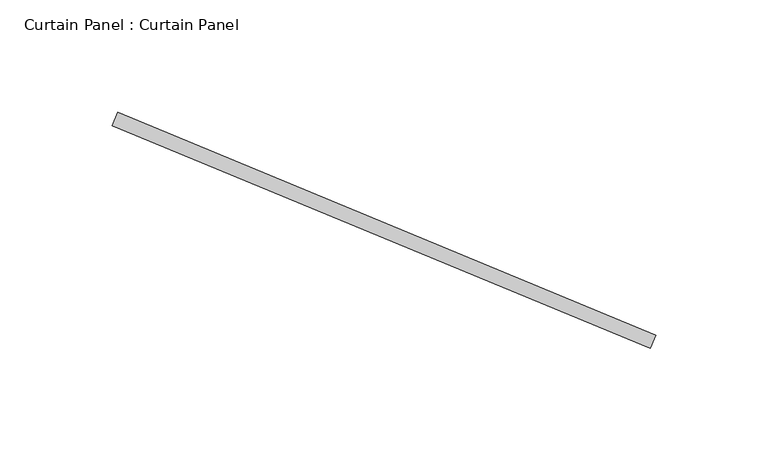
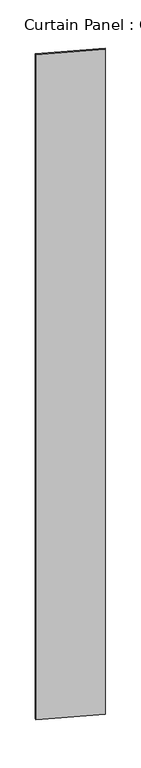
"""IFC4 building model written with IfcOpenShell, lengths in millimetres: plate geometry, Curtain Panel : Curtain Panel."""

from ifc_helpers import new_model, si_unit, origin, origin_with_axes, place, context, project, spatial, polyline, outline, extrude, source, transform, mapped, element, save


def curtain_panel_curtain_panel_71fe3857(model_context):
    return source(origin(), model_context, "Body", "SweptSolid", [
        extrude(outline(polyline([(-141072.3276467, 8366.3775453), (-141311.3930242, 8465.401667), (-141308.9629844, 8471.268302), (-141069.8976069, 8372.2441803), (-141072.3276467, 8366.3775453)])), origin_with_axes(), (0.0, 0.0, 1.0), 2990.85),
    ])


if __name__ == "__main__":
    model = new_model("IFC4")
    model_context = context("Model", 3, world=origin())
    ifc_project = project(units=[si_unit("LENGTHUNIT", "METRE", prefix="MILLI")], contexts=[model_context])
    site = spatial("IfcSite", under=ifc_project)
    building = spatial("IfcBuilding", under=site)
    placement = place(None, origin())
    curtain_panel_curtain_panel_shape = curtain_panel_curtain_panel_71fe3857(model_context)
    element("IfcPlate", 1, ObjectType="Curtain Panel : Curtain Panel", at=placement, inside=building, context=model_context, shape_type="MappedRepresentation", body=[
        mapped(curtain_panel_curtain_panel_shape, transform((0.0, 0.0, 0.0), x_axis=(1.0, 0.0, 0.0), y_axis=(0.0, 1.0, 0.0), z_axis=(0.0, 0.0, 1.0))),
    ])
    save(model, "model.ifc")
